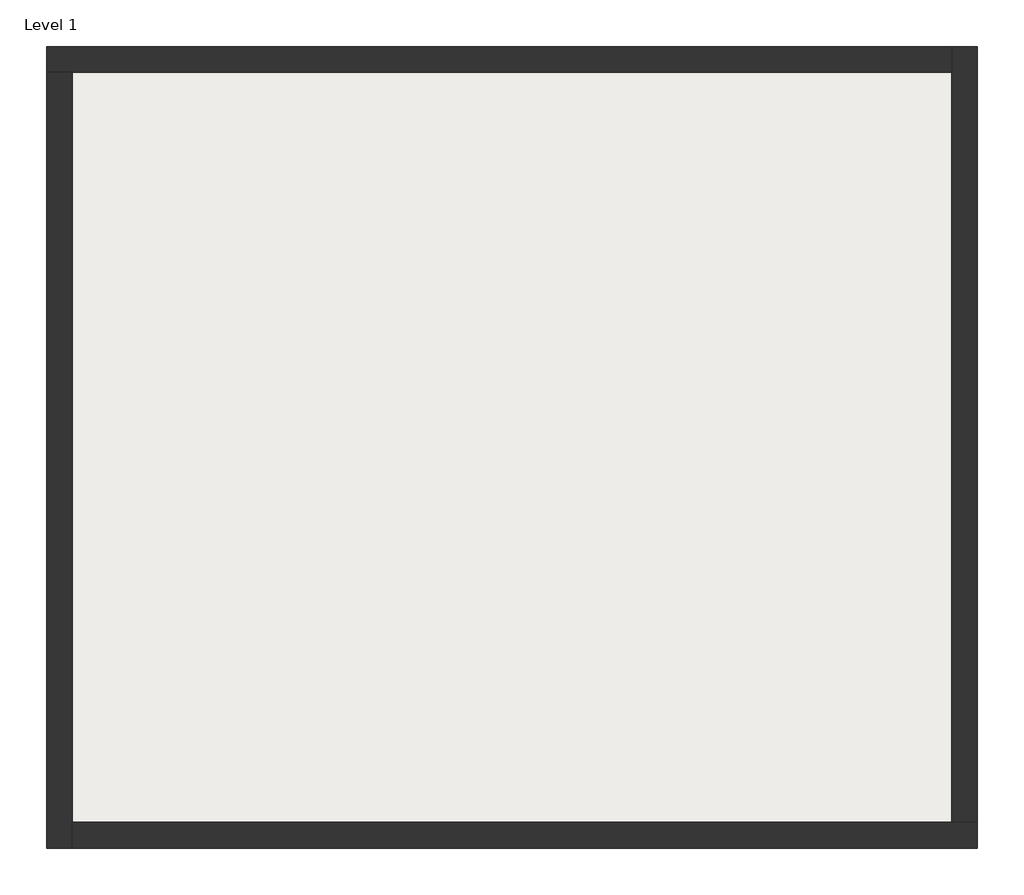
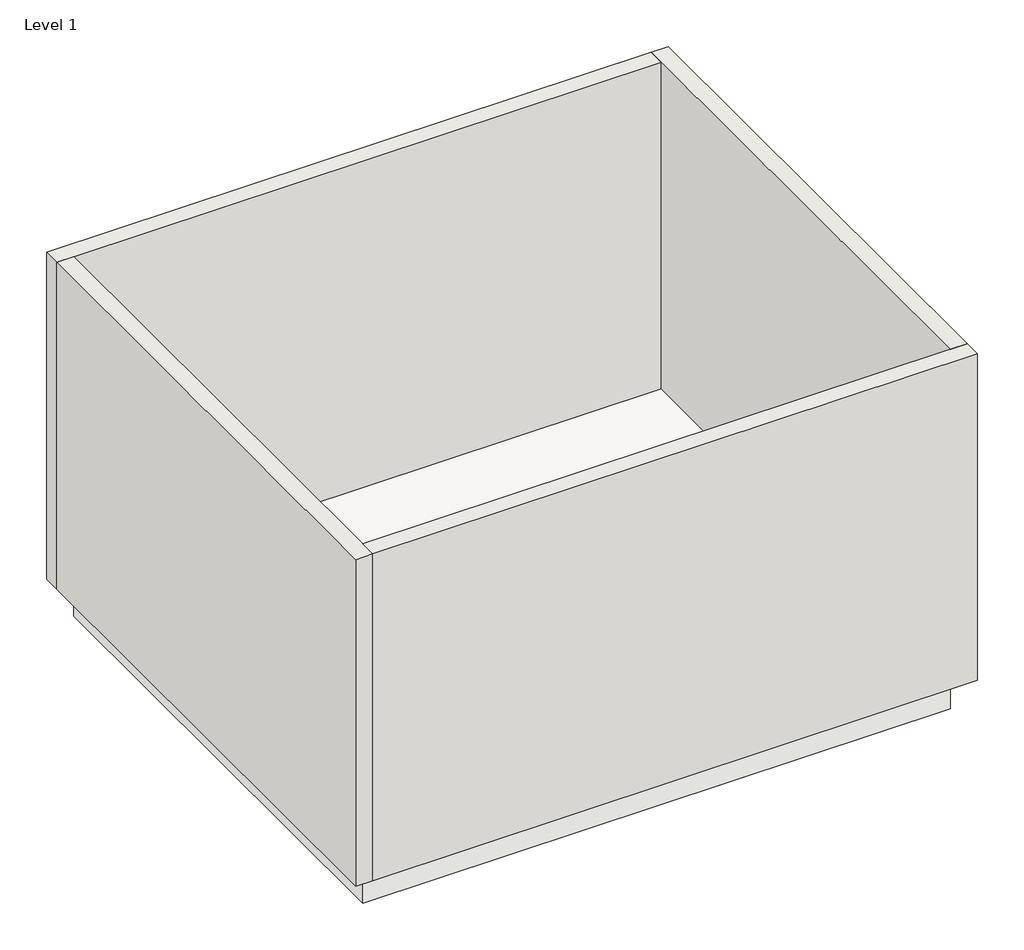
# One storey: 4 walls, 1 slab.
"""IFC4 building model written with IfcOpenShell, lengths in millimetres."""

from ifc_helpers import new_model, si_unit, frame, origin, place, context, project, spatial, polyline, outline, extrude, faceted_brep, element, save

model = new_model("IFC4")

# Units and contexts
model_context = context("Model", 3, world=origin())
ifc_project = project(units=[si_unit("LENGTHUNIT", "METRE", prefix="MILLI")], contexts=[model_context])

# Site, building, storey
site = spatial("IfcSite", under=ifc_project)
building = spatial("IfcBuilding", under=site)
storey = spatial("IfcBuildingStorey", under=building, Name="Level 1", Elevation=0.0)

# Slab
placement = place(None, origin())
element("IfcSlab", 1, ObjectType="Generic Floor - 400mm", at=placement, inside=storey, context=model_context, shape_type="SweptSolid", body=[
    extrude(outline(polyline([(3170.5853713, 3953.1019487), (3170.5853713, -1846.8980513), (-3629.4146287, -1846.8980513), (-3629.4146287, 3953.1019487), (3170.5853713, 3953.1019487)])), frame((0.0, 0.0, -400.0), z_axis=(0.0, 0.0, 1.0), x_axis=(1.0, 0.0, 0.0)), (0.0, 0.0, 1.0), 400.0),
])

# Walls
element("IfcWall", 2, ObjectType="Generic - 200mm", at=placement, inside=storey, context=model_context, shape_type="Brep", body=[
    faceted_brep([(-3829.4146287, 3953.1019487, 0.0), (-3629.4146287, 3953.1019487, 0.0), (3170.5853713, 3953.1019487, 0.0), (3170.5853713, 3953.1019487, 4000.0), (-3629.4146287, 3953.1019487, 4000.0), (-3829.4146287, 3953.1019487, 4000.0), (-3829.4146287, 4153.1019487, 0.0), (-3829.4146287, 4153.1019487, 4000.0), (3170.5853713, 4153.1019487, 4000.0), (3170.5853713, 4153.1019487, 0.0)], [[[0, 1, 2, 3, 4, 5]], [[6, 7, 8, 9]], [[2, 1, 0, 6, 9]], [[5, 4, 3, 8, 7]], [[0, 5, 7, 6]], [[3, 2, 9, 8]]]),
])
element("IfcWall", 3, ObjectType="Generic - 200mm", at=placement, inside=storey, context=model_context, shape_type="Brep", body=[
    faceted_brep([(-3629.4146287, -2046.8980513, 0.0), (-3629.4146287, -1846.8980513, 0.0), (-3629.4146287, 3953.1019487, 0.0), (-3629.4146287, 3953.1019487, 4000.0), (-3629.4146287, -1846.8980513, 4000.0), (-3629.4146287, -2046.8980513, 4000.0), (-3829.4146287, -2046.8980513, 0.0), (-3829.4146287, -2046.8980513, 4000.0), (-3829.4146287, 3953.1019487, 4000.0), (-3829.4146287, 3953.1019487, 0.0)], [[[0, 1, 2, 3, 4, 5]], [[6, 7, 8, 9]], [[2, 1, 0, 6, 9]], [[5, 4, 3, 8, 7]], [[0, 5, 7, 6]], [[3, 2, 9, 8]]]),
])
element("IfcWall", 4, ObjectType="Generic - 200mm", at=placement, inside=storey, context=model_context, shape_type="Brep", body=[
    faceted_brep([(3370.5853713, -1846.8980513, 0.0), (3170.5853713, -1846.8980513, 0.0), (-3629.4146287, -1846.8980513, 0.0), (-3629.4146287, -1846.8980513, 4000.0), (3170.5853713, -1846.8980513, 4000.0), (3370.5853713, -1846.8980513, 4000.0), (3370.5853713, -2046.8980513, 0.0), (3370.5853713, -2046.8980513, 4000.0), (-3629.4146287, -2046.8980513, 4000.0), (-3629.4146287, -2046.8980513, 0.0)], [[[0, 1, 2, 3, 4, 5]], [[6, 7, 8, 9]], [[2, 1, 0, 6, 9]], [[5, 4, 3, 8, 7]], [[0, 5, 7, 6]], [[3, 2, 9, 8]]]),
])
element("IfcWall", 5, ObjectType="Generic - 200mm", at=placement, inside=storey, context=model_context, shape_type="Brep", body=[
    faceted_brep([(3170.5853713, 4153.1019487, 0.0), (3170.5853713, 3953.1019487, 0.0), (3170.5853713, -1846.8980513, 0.0), (3170.5853713, -1846.8980513, 4000.0), (3170.5853713, 3953.1019487, 4000.0), (3170.5853713, 4153.1019487, 4000.0), (3370.5853713, 4153.1019487, 0.0), (3370.5853713, 4153.1019487, 4000.0), (3370.5853713, -1846.8980513, 4000.0), (3370.5853713, -1846.8980513, 0.0)], [[[0, 1, 2, 3, 4, 5]], [[6, 7, 8, 9]], [[2, 1, 0, 6, 9]], [[5, 4, 3, 8, 7]], [[0, 5, 7, 6]], [[3, 2, 9, 8]]]),
])

save(model, "model.ifc")
